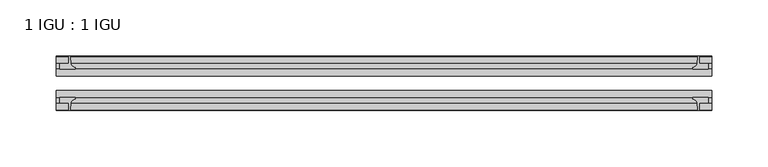
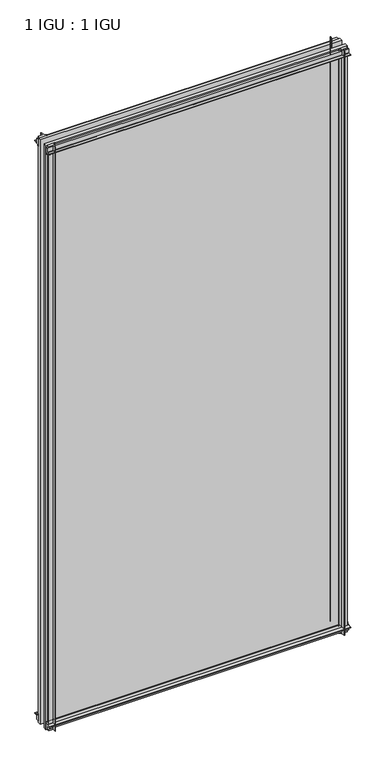
"""IFC4 building model written with IfcOpenShell, lengths in millimetres: plate geometry, 1 IGU : 1 IGU."""

import ifcopenshell
import ifcopenshell.guid

model = None  # the IFC model being written
_history = None  # IfcOwnerHistory: only IFC2X3 demands one
_inside = {}  # id of a spatial element -> (the spatial element, [elements in it])
_under = {}  # id of a project, library or spatial element -> (it, [spatial elements below it])
_declared = {}  # id of a project -> (the project, [libraries it declares])
_typed = {}  # id of a type object -> (the type object, [elements of that type])
_made_of = {}  # id of a material, layer set ... -> (it, [elements and type objects made of it])


def new_model(schema):
    """Start an empty IFC model of exactly this schema.

    Asked for "IFC4X3", IfcOpenShell would pick the latest addendum, in which some entities
    have other attributes; the version numbers below select the first issue.
    IFC2X3 requires an IfcOwnerHistory on every rooted entity: one is made here for all.
    """
    global model, _history
    if schema == "IFC4X3":
        model = ifcopenshell.file(schema_version=(4, 3, 0, 0))
    else:
        model = ifcopenshell.file(schema=schema)
    _inside.clear()
    _under.clear()
    _declared.clear()
    _typed.clear()
    _made_of.clear()
    _history = None
    if model.schema == "IFC2X3":
        org = make("IfcOrganization", Name="unknown")
        user = make(
            "IfcPersonAndOrganization",
            ThePerson=make("IfcPerson", FamilyName="unknown"),
            TheOrganization=org,
        )
        app = make(
            "IfcApplication",
            ApplicationDeveloper=org,
            Version="unknown",
            ApplicationFullName="unknown",
            ApplicationIdentifier="unknown",
        )
        _history = make(
            "IfcOwnerHistory",
            OwningUser=user,
            OwningApplication=app,
            ChangeAction="ADDED",
            CreationDate=0,
        )
    return model


def make(cls, **values):
    """One entity of the class cls with the attributes given. An attribute that is None is left unset."""
    return model.create_entity(
        cls, **{name: value for name, value in values.items() if value is not None}
    )


def rooted(cls, **values):
    """An entity with a GlobalId (a new one), such as an element, a storey or a relation."""
    return make(cls, GlobalId=ifcopenshell.guid.new(), OwnerHistory=_history, **values)


def si_unit(unit_type, name, prefix=None):
    """IfcSIUnit, for example si_unit("LENGTHUNIT", "METRE", prefix="MILLI")."""
    return make("IfcSIUnit", UnitType=unit_type, Prefix=prefix, Name=name)


def assignment(units):
    """IfcUnitAssignment: the units of a project."""
    return None if units is None else make("IfcUnitAssignment", Units=units)


def point(xyz):
    """IfcCartesianPoint."""
    return None if xyz is None else make("IfcCartesianPoint", Coordinates=xyz)


def direction(xyz):
    """IfcDirection."""
    return None if xyz is None else make("IfcDirection", DirectionRatios=xyz)


def frame(location, z_axis=None, x_axis=None):
    """IfcAxis2Placement3D, a coordinate frame: its origin and axes. An axis left out is left unset."""
    return make(
        "IfcAxis2Placement3D",
        Location=point(location),
        Axis=direction(z_axis),
        RefDirection=direction(x_axis),
    )


def frame_2d(location, x_axis=None):
    """IfcAxis2Placement2D, a coordinate frame in the plane: its origin and x axis."""
    return make(
        "IfcAxis2Placement2D", Location=point(location), RefDirection=direction(x_axis)
    )


def origin():
    """The frame at (0, 0, 0) with its axes left unset."""
    return frame((0.0, 0.0, 0.0))


def place(relative_to, where):
    """IfcLocalPlacement: puts the frame where relative to a parent placement (None: the world)."""
    return make(
        "IfcLocalPlacement", PlacementRelTo=relative_to, RelativePlacement=where
    )


def context(
    kind, dimensions, precision=None, world=None, true_north=None, identifier=None
):
    """IfcGeometricRepresentationContext, for example the 3D "Model" context."""
    return make(
        "IfcGeometricRepresentationContext",
        ContextIdentifier=identifier,
        ContextType=kind,
        CoordinateSpaceDimension=dimensions,
        Precision=precision,
        WorldCoordinateSystem=world,
        TrueNorth=true_north,
    )


def project(units=None, contexts=None):
    """IfcProject with its units and contexts."""
    return rooted(
        "IfcProject",
        Name="project",
        RepresentationContexts=contexts,
        UnitsInContext=assignment(units),
    )


def spatial(cls, under=None, at=None, **own):
    """A site, building, storey or space (cls), placed at a placement, below another one or the project."""
    s = rooted(cls, ObjectPlacement=at, **own)
    if under is not None:
        _under.setdefault(under.id(), (under, []))[1].append(s)
    return s


def polyline(points):
    """IfcPolyline through the points."""
    return make("IfcPolyline", Points=[point(p) for p in points])


def circle_curve(where, radius):
    """IfcCircle in the frame where."""
    return make("IfcCircle", Position=where, Radius=radius)


def trimmed(basis, trim1, trim2, sense, master):
    """IfcTrimmedCurve: the piece of a basis curve between two trims."""
    return make(
        "IfcTrimmedCurve",
        BasisCurve=basis,
        Trim1=trim1,
        Trim2=trim2,
        SenseAgreement=sense,
        MasterRepresentation=master,
    )


def segment(curve, same_sense, transition):
    """IfcCompositeCurveSegment."""
    return make(
        "IfcCompositeCurveSegment",
        Transition=transition,
        SameSense=same_sense,
        ParentCurve=curve,
    )


def composite_curve(segments, self_intersect=None):
    """IfcCompositeCurve: segments joined end to end."""
    return make("IfcCompositeCurve", Segments=segments, SelfIntersect=self_intersect)


def outline(outer, holes=None, kind="AREA"):
    """IfcArbitraryClosedProfileDef: a profile drawn as a closed curve; with holes, ...WithVoids."""
    if holes is None:
        return make("IfcArbitraryClosedProfileDef", ProfileType=kind, OuterCurve=outer)
    return make(
        "IfcArbitraryProfileDefWithVoids",
        ProfileType=kind,
        OuterCurve=outer,
        InnerCurves=holes,
    )


def extrude(swept, where, along, depth):
    """IfcExtrudedAreaSolid: the profile swept, set in the frame where, extruded along a direction by depth."""
    return make(
        "IfcExtrudedAreaSolid",
        SweptArea=swept,
        Position=where,
        ExtrudedDirection=direction(along),
        Depth=depth,
    )


def shape(context_of_items, identifier, shape_type, items):
    """IfcShapeRepresentation: the items that make up one representation, for example the "Body"."""
    return make(
        "IfcShapeRepresentation",
        ContextOfItems=context_of_items,
        RepresentationIdentifier=identifier,
        RepresentationType=shape_type,
        Items=items,
    )


def source(mapping_origin, context_of_items, identifier, shape_type, items):
    """IfcRepresentationMap: a shape defined once, which mapped items show again and again."""
    return make(
        "IfcRepresentationMap",
        MappingOrigin=mapping_origin,
        MappedRepresentation=shape(context_of_items, identifier, shape_type, items),
    )


def transform(
    local_origin,
    x_axis=None,
    y_axis=None,
    z_axis=None,
    scale=None,
    scale2=None,
    scale3=None,
    uniform=True,
):
    """IfcCartesianTransformationOperator3D, or its non-uniform kind. x_axis, y_axis, z_axis: its Axis1, 2, 3."""
    if uniform:
        return make(
            "IfcCartesianTransformationOperator3D",
            Axis1=direction(x_axis),
            Axis2=direction(y_axis),
            LocalOrigin=point(local_origin),
            Scale=scale,
            Axis3=direction(z_axis),
        )
    return make(
        "IfcCartesianTransformationOperator3DnonUniform",
        Axis1=direction(x_axis),
        Axis2=direction(y_axis),
        LocalOrigin=point(local_origin),
        Scale=scale,
        Axis3=direction(z_axis),
        Scale2=scale2,
        Scale3=scale3,
    )


def mapped(mapping_source, mapping_target):
    """IfcMappedItem: shows the shape of a source again, moved by a transform."""
    return make(
        "IfcMappedItem", MappingSource=mapping_source, MappingTarget=mapping_target
    )


def made_of(thing, what):
    """Note that an element or type object is made of a material, layer set ...; save() writes the relation."""
    if what is not None:
        _made_of.setdefault(what.id(), (what, []))[1].append(thing)
    return thing


def element(
    cls,
    number,
    at=None,
    inside=None,
    cuts=None,
    type_object=None,
    material=None,
    context=None,
    identifier="Body",
    shape_type=None,
    held_by="IfcProductDefinitionShape",
    body=None,
    shapes=None,
    **own,
):
    """One element of the class cls, such as IfcWall. Its Tag is "e" and its number.

    at: its placement. inside: the storey or other place that contains it. cuts: it is an
    opening in that element (IfcRelVoidsElement). A single representation is given by context,
    identifier, shape_type and body (its items); several are given by shapes. held_by: the class
    of the entity that holds the representations. save() writes the other relations.
    """
    e = rooted(cls, Tag="e%d" % number, ObjectPlacement=at, **own)
    if body is not None:
        shapes = [shape(context, identifier, shape_type, body)]
    if shapes is not None:
        e.Representation = make(held_by, Representations=shapes)
    if inside is not None:
        _inside.setdefault(inside.id(), (inside, []))[1].append(e)
    if cuts is not None:
        rooted(
            "IfcRelVoidsElement", RelatingBuildingElement=cuts, RelatedOpeningElement=e
        )
    if type_object is not None:
        _typed.setdefault(type_object.id(), (type_object, []))[1].append(e)
    return made_of(e, material)


def aggregate(whole, parts):
    """IfcRelAggregates: a whole, such as a stair, and the parts it consists of."""
    return rooted("IfcRelAggregates", RelatingObject=whole, RelatedObjects=parts)


def save(model, path):
    """Write the relations noted so far, then the file.

    IfcRelAggregates (storeys below a building ...), IfcRelContainedInSpatialStructure (elements
    in a storey), IfcRelDefinesByType, IfcRelAssociatesMaterial and IfcRelDeclares: one each for
    every whole, place, type object, material and project.
    """
    for whole, parts in _under.values():
        aggregate(whole, parts)
    for where, things in _inside.values():
        rooted(
            "IfcRelContainedInSpatialStructure",
            RelatedElements=things,
            RelatingStructure=where,
        )
    for kind, things in _typed.values():
        rooted("IfcRelDefinesByType", RelatedObjects=things, RelatingType=kind)
    for what, things in _made_of.values():
        rooted("IfcRelAssociatesMaterial", RelatedObjects=things, RelatingMaterial=what)
    for by, libraries in _declared.values():
        rooted("IfcRelDeclares", RelatingContext=by, RelatedDefinitions=libraries)
    model.write(path)


def plate_1_igu_1_igu_f5e8f5de(model_context):
    return source(origin(), model_context, "Body", "SweptSolid", [
        extrude(outline(composite_curve([segment(polyline([(-42.3267187, -8.2068385), (-47.0892187, -8.2068385), (-47.0892187, 0.0), (-53.563779, 0.0)]), True, "CONTINUOUS"), segment(trimmed(circle_curve(frame_2d((-53.0328134, 0.3482823)), 0.635), [point((-53.563779, 0.0))], [point((-53.0575397, 0.9828007))], False, "CARTESIAN"), True, "CONTINUOUS"), segment(trimmed(circle_curve(frame_2d((-54.2310045, 31.0958559)), 30.1359106), [point((-53.0575397, 0.9828007))], [point((-47.0834032, 1.8198434))], True, "CARTESIAN"), True, "CONTINUOUS"), segment(trimmed(circle_curve(frame_2d((-48.2159797, 6.4587878)), 4.7752), [point((-47.0834032, 1.8198434))], [point((-43.578416, 5.3205707))], True, "CARTESIAN"), True, "CONTINUOUS"), segment(trimmed(circle_curve(frame_2d((-42.9617187, 5.169212)), 0.635), [point((-43.578416, 5.3205707))], [point((-42.3267187, 5.169212))], False, "CARTESIAN"), True, "CONTINUOUS"), segment(polyline([(-42.3267187, 5.169212), (-42.3267187, -8.2068385)]), True, "CONTINUOUS")], self_intersect=False)), frame((-290.5125, 0.0, 0.0), z_axis=(1.0, 0.0, 0.0), x_axis=(0.0, 1.0, 0.0)), (0.0, 0.0, 1.0), 581.025),
        extrude(outline(composite_curve([segment(polyline([(-16.9267187, -8.2068385), (-16.9267187, 5.169212)]), True, "CONTINUOUS"), segment(trimmed(circle_curve(frame_2d((-16.2917187, 5.169212)), 0.635), [point((-16.9267187, 5.169212))], [point((-15.6750215, 5.3205707))], False, "CARTESIAN"), True, "CONTINUOUS"), segment(trimmed(circle_curve(frame_2d((-11.0374578, 6.4587878)), 4.7752), [point((-15.6750215, 5.3205707))], [point((-12.1700343, 1.8198434))], True, "CARTESIAN"), True, "CONTINUOUS"), segment(trimmed(circle_curve(frame_2d((-5.022433, 31.0958559)), 30.1359106), [point((-12.1700343, 1.8198434))], [point((-6.1958978, 0.9828007))], True, "CARTESIAN"), True, "CONTINUOUS"), segment(trimmed(circle_curve(frame_2d((-6.2206241, 0.3482823)), 0.635), [point((-6.1958978, 0.9828007))], [point((-5.6896585, 0.0))], False, "CARTESIAN"), True, "CONTINUOUS"), segment(polyline([(-5.6896585, 0.0), (-12.1642187, 0.0), (-12.1642187, -8.2068385), (-16.9267187, -8.2068385)]), True, "CONTINUOUS")], self_intersect=False)), frame((-290.5125, 0.0, 0.0), z_axis=(1.0, 0.0, 0.0), x_axis=(0.0, 1.0, 0.0)), (0.0, 0.0, 1.0), 581.025),
        extrude(outline(composite_curve([segment(polyline([(-47.0892188, 1168.4), (-47.0892188, 1176.6068385), (-42.3267188, 1176.6068385), (-42.3267188, 1163.230788)]), True, "CONTINUOUS"), segment(trimmed(circle_curve(frame_2d((-42.9617187, 1163.230788)), 0.635), [point((-42.3267188, 1163.230788))], [point((-43.578416, 1163.0794293))], False, "CARTESIAN"), True, "CONTINUOUS"), segment(trimmed(circle_curve(frame_2d((-48.2159797, 1161.9412122)), 4.7752), [point((-43.578416, 1163.0794293))], [point((-47.0834032, 1166.5801566))], True, "CARTESIAN"), True, "CONTINUOUS"), segment(trimmed(circle_curve(frame_2d((-54.2310045, 1137.3041441)), 30.1359106), [point((-47.0834032, 1166.5801566))], [point((-53.0575397, 1167.4171993))], True, "CARTESIAN"), True, "CONTINUOUS"), segment(trimmed(circle_curve(frame_2d((-53.0328134, 1168.0517177)), 0.635), [point((-53.0575397, 1167.4171993))], [point((-53.563779, 1168.4))], False, "CARTESIAN"), True, "CONTINUOUS"), segment(polyline([(-53.563779, 1168.4), (-47.0892188, 1168.4)]), True, "CONTINUOUS")], self_intersect=False)), frame((-290.5125, 0.0, 0.0), z_axis=(1.0, 0.0, 0.0), x_axis=(0.0, 1.0, 0.0)), (0.0, 0.0, 1.0), 581.025),
        extrude(outline(composite_curve([segment(polyline([(-12.1642187, 1168.4), (-5.6896585, 1168.4)]), True, "CONTINUOUS"), segment(trimmed(circle_curve(frame_2d((-6.2206241, 1168.0517177)), 0.635), [point((-5.6896585, 1168.4))], [point((-6.1958978, 1167.4171993))], False, "CARTESIAN"), True, "CONTINUOUS"), segment(trimmed(circle_curve(frame_2d((-5.022433, 1137.3041441)), 30.1359106), [point((-6.1958978, 1167.4171993))], [point((-12.1700343, 1166.5801566))], True, "CARTESIAN"), True, "CONTINUOUS"), segment(trimmed(circle_curve(frame_2d((-11.0374578, 1161.9412122)), 4.7752), [point((-12.1700343, 1166.5801566))], [point((-15.6750215, 1163.0794293))], True, "CARTESIAN"), True, "CONTINUOUS"), segment(trimmed(circle_curve(frame_2d((-16.2917188, 1163.230788)), 0.635), [point((-15.6750215, 1163.0794293))], [point((-16.9267188, 1163.230788))], False, "CARTESIAN"), True, "CONTINUOUS"), segment(polyline([(-16.9267188, 1163.230788), (-16.9267187, 1176.6068385), (-12.1642187, 1176.6068385), (-12.1642187, 1168.4)]), True, "CONTINUOUS")], self_intersect=False)), frame((-290.5125, 0.0, 0.0), z_axis=(1.0, 0.0, 0.0), x_axis=(0.0, 1.0, 0.0)), (0.0, 0.0, 1.0), 581.025),
        extrude(outline(composite_curve([segment(polyline([(279.4, -5.6896585), (279.4, -12.1642188), (287.6068385, -12.1642188), (287.6068385, -16.9267187), (274.230788, -16.9267187)]), True, "CONTINUOUS"), segment(trimmed(circle_curve(frame_2d((274.230788, -16.2917188)), 0.635), [point((274.230788, -16.9267187))], [point((274.0794293, -15.6750215))], False, "CARTESIAN"), True, "CONTINUOUS"), segment(trimmed(circle_curve(frame_2d((272.9412122, -11.0374578)), 4.7752), [point((274.0794293, -15.6750215))], [point((277.5801566, -12.1700343))], True, "CARTESIAN"), True, "CONTINUOUS"), segment(trimmed(circle_curve(frame_2d((248.3041441, -5.022433)), 30.1359106), [point((277.5801566, -12.1700343))], [point((278.4171993, -6.1958978))], True, "CARTESIAN"), True, "CONTINUOUS"), segment(trimmed(circle_curve(frame_2d((279.0517177, -6.2206241)), 0.635), [point((278.4171993, -6.1958978))], [point((279.4, -5.6896585))], False, "CARTESIAN"), True, "CONTINUOUS")], self_intersect=False)), frame((0.0, 0.0, -11.1125), z_axis=(0.0, 0.0, 1.0), x_axis=(1.0, 0.0, 0.0)), (0.0, 0.0, 1.0), 1190.625),
        extrude(outline(composite_curve([segment(trimmed(circle_curve(frame_2d((279.0517177, -53.0328134)), 0.635), [point((279.4, -53.563779))], [point((278.4171993, -53.0575397))], False, "CARTESIAN"), True, "CONTINUOUS"), segment(trimmed(circle_curve(frame_2d((248.3041441, -54.2310045)), 30.1359106), [point((278.4171993, -53.0575397))], [point((277.5801566, -47.0834032))], True, "CARTESIAN"), True, "CONTINUOUS"), segment(trimmed(circle_curve(frame_2d((272.9412122, -48.2159797)), 4.7752), [point((277.5801566, -47.0834032))], [point((274.0794293, -43.578416))], True, "CARTESIAN"), True, "CONTINUOUS"), segment(trimmed(circle_curve(frame_2d((274.230788, -42.9617187)), 0.635), [point((274.0794293, -43.578416))], [point((274.230788, -42.3267187))], False, "CARTESIAN"), True, "CONTINUOUS"), segment(polyline([(274.230788, -42.3267187), (287.6068385, -42.3267187), (287.6068385, -47.0892188), (279.4, -47.0892188), (279.4, -53.563779)]), True, "CONTINUOUS")], self_intersect=False)), frame((0.0, 0.0, -11.1125), z_axis=(0.0, 0.0, 1.0), x_axis=(1.0, 0.0, 0.0)), (0.0, 0.0, 1.0), 1190.625),
        extrude(outline(composite_curve([segment(trimmed(circle_curve(frame_2d((-279.0517177, -6.2206241)), 0.635), [point((-279.4, -5.6896585))], [point((-278.4171993, -6.1958978))], False, "CARTESIAN"), True, "CONTINUOUS"), segment(trimmed(circle_curve(frame_2d((-248.3041441, -5.022433)), 30.1359106), [point((-278.4171993, -6.1958978))], [point((-277.5801566, -12.1700343))], True, "CARTESIAN"), True, "CONTINUOUS"), segment(trimmed(circle_curve(frame_2d((-272.9412122, -11.0374578)), 4.7752), [point((-277.5801566, -12.1700343))], [point((-274.0794293, -15.6750215))], True, "CARTESIAN"), True, "CONTINUOUS"), segment(trimmed(circle_curve(frame_2d((-274.230788, -16.2917187)), 0.635), [point((-274.0794293, -15.6750215))], [point((-274.230788, -16.9267187))], False, "CARTESIAN"), True, "CONTINUOUS"), segment(polyline([(-274.230788, -16.9267187), (-287.6068385, -16.9267187), (-287.6068385, -12.1642187), (-279.4, -12.1642187), (-279.4, -5.6896585)]), True, "CONTINUOUS")], self_intersect=False)), frame((0.0, 0.0, -11.1125), z_axis=(0.0, 0.0, 1.0), x_axis=(1.0, 0.0, 0.0)), (0.0, 0.0, 1.0), 1190.625),
        extrude(outline(composite_curve([segment(polyline([(-279.4, -53.563779), (-279.4, -47.0892187), (-287.6068385, -47.0892187), (-287.6068385, -42.3267188), (-274.230788, -42.3267188)]), True, "CONTINUOUS"), segment(trimmed(circle_curve(frame_2d((-274.230788, -42.9617187)), 0.635), [point((-274.230788, -42.3267188))], [point((-274.0794293, -43.578416))], False, "CARTESIAN"), True, "CONTINUOUS"), segment(trimmed(circle_curve(frame_2d((-272.9412122, -48.2159797)), 4.7752), [point((-274.0794293, -43.578416))], [point((-277.5801566, -47.0834032))], True, "CARTESIAN"), True, "CONTINUOUS"), segment(trimmed(circle_curve(frame_2d((-248.3041441, -54.2310045)), 30.1359106), [point((-277.5801566, -47.0834032))], [point((-278.4171993, -53.0575397))], True, "CARTESIAN"), True, "CONTINUOUS"), segment(trimmed(circle_curve(frame_2d((-279.0517177, -53.0328134)), 0.635), [point((-278.4171993, -53.0575397))], [point((-279.4, -53.563779))], False, "CARTESIAN"), True, "CONTINUOUS")], self_intersect=False)), frame((0.0, 0.0, -11.1125), z_axis=(0.0, 0.0, 1.0), x_axis=(1.0, 0.0, 0.0)), (0.0, 0.0, 1.0), 1190.625),
        extrude(outline(polyline([(290.5125, -16.9267187), (290.5125, -23.2259187), (-290.5125, -23.2259187), (-290.5125, -16.9267187), (290.5125, -16.9267187)])), frame((0.0, 0.0, -11.1125), z_axis=(0.0, 0.0, 1.0), x_axis=(1.0, 0.0, 0.0)), (0.0, 0.0, 1.0), 1190.625),
        extrude(outline(polyline([(290.5125, -36.0275187), (290.5125, -42.3267187), (-290.5125, -42.3267187), (-290.5125, -36.0275187), (290.5125, -36.0275187)])), frame((0.0, 0.0, -11.1125), z_axis=(0.0, 0.0, 1.0), x_axis=(1.0, 0.0, 0.0)), (0.0, 0.0, 1.0), 1190.625),
    ])


if __name__ == "__main__":
    model = new_model("IFC4")
    model_context = context("Model", 3, world=origin())
    ifc_project = project(units=[si_unit("LENGTHUNIT", "METRE", prefix="MILLI")], contexts=[model_context])
    site = spatial("IfcSite", under=ifc_project)
    building = spatial("IfcBuilding", under=site)
    placement = place(None, origin())
    plate_1_igu_1_igu_shape = plate_1_igu_1_igu_f5e8f5de(model_context)
    element("IfcPlate", 1, ObjectType="1 IGU : 1 IGU", at=placement, inside=building, context=model_context, shape_type="MappedRepresentation", body=[
        mapped(plate_1_igu_1_igu_shape, transform((0.0, 0.0, 0.0), x_axis=(1.0, 0.0, 0.0), y_axis=(0.0, 1.0, 0.0), z_axis=(0.0, 0.0, 1.0))),
    ])
    save(model, "model.ifc")
